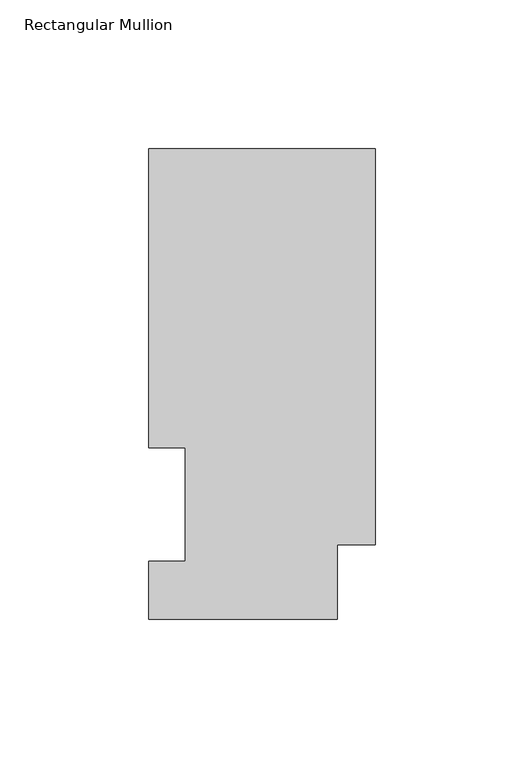
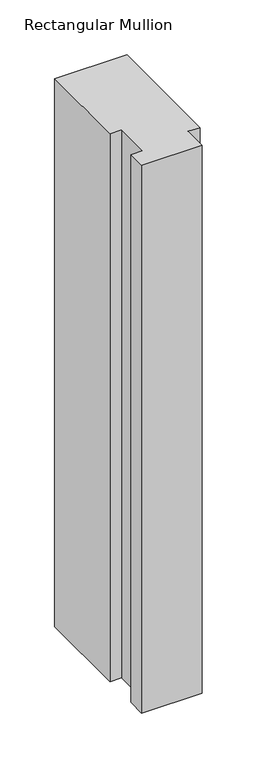
"""IFC4 building model written with IfcOpenShell, lengths in millimetres: member geometry, Rectangular Mullion."""

from ifc_helpers import new_model, si_unit, frame, origin, place, context, project, spatial, polyline, outline, extrude, source, transform, mapped, element, save


def rectangular_mullion_2075d583(model_context):
    return source(origin(), model_context, "Body", "SweptSolid", [
        extrude(outline(polyline([(0.0, 25.0832937), (-12.7, 25.0832937), (-12.7, 0.0134938), (-76.2, 0.0134938), (-76.2, 19.5460937), (-63.8581605, 19.5460937), (-63.8581605, 57.6460938), (-76.2, 57.6460937), (-76.2, 158.3316937), (0.0, 158.3316937), (0.0, 25.0832937)])), frame((0.0, 0.0, -609.6), z_axis=(0.0, 0.0, 1.0), x_axis=(1.0, 0.0, 0.0)), (0.0, 0.0, 1.0), 609.6),
    ])


if __name__ == "__main__":
    model = new_model("IFC4")
    model_context = context("Model", 3, world=origin())
    ifc_project = project(units=[si_unit("LENGTHUNIT", "METRE", prefix="MILLI")], contexts=[model_context])
    site = spatial("IfcSite", under=ifc_project)
    building = spatial("IfcBuilding", under=site)
    placement = place(None, origin())
    rectangular_mullion_shape = rectangular_mullion_2075d583(model_context)
    element("IfcMember", 1, ObjectType="Rectangular Mullion", at=placement, inside=building, context=model_context, shape_type="MappedRepresentation", body=[
        mapped(rectangular_mullion_shape, transform((0.0, 0.0, 0.0), x_axis=(1.0, 0.0, 0.0), y_axis=(0.0, 1.0, 0.0), z_axis=(0.0, 0.0, 1.0))),
    ])
    save(model, "model.ifc")
